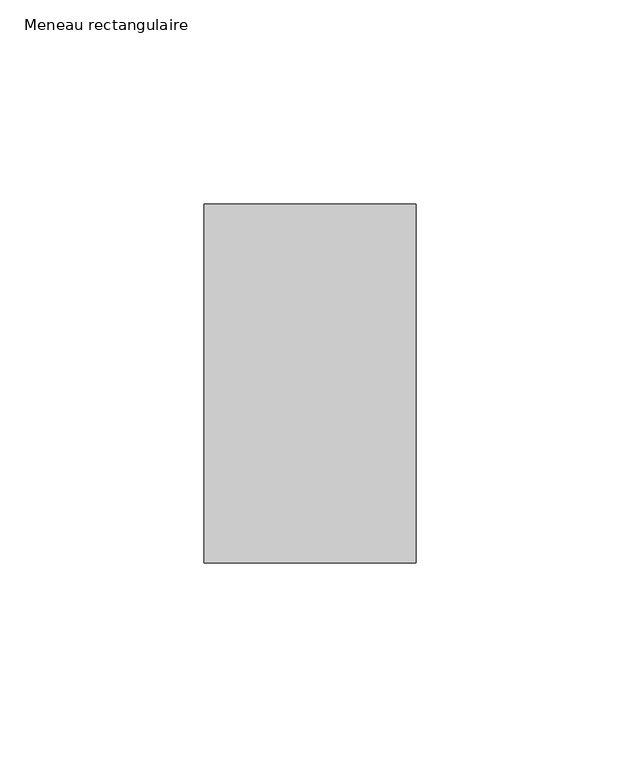
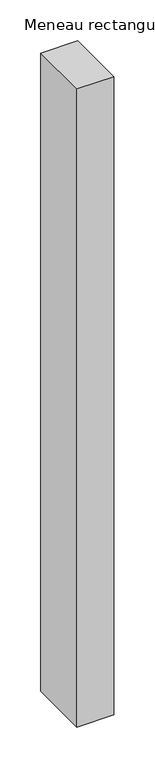
"""IFC4 building model written with IfcOpenShell, lengths in millimetres: member geometry, Meneau rectangulaire."""

from ifc_helpers import new_model, si_unit, frame, origin, place, context, project, spatial, polyline, outline, extrude, source, transform, mapped, element, save


def meneau_rectangulaire_73e61f97(model_context):
    return source(origin(), model_context, "Body", "SweptSolid", [
        extrude(outline(polyline([(-52.0, 44.0), (0.0, 44.0), (0.0, -44.0), (-52.0, -44.0), (-52.0, 44.0)])), frame((0.0, 0.0, -952.3373825), z_axis=(0.0, 0.0, 1.0), x_axis=(1.0, 0.0, 0.0)), (0.0, 0.0, 1.0), 952.3373825),
    ])


if __name__ == "__main__":
    model = new_model("IFC4")
    model_context = context("Model", 3, world=origin())
    ifc_project = project(units=[si_unit("LENGTHUNIT", "METRE", prefix="MILLI")], contexts=[model_context])
    site = spatial("IfcSite", under=ifc_project)
    building = spatial("IfcBuilding", under=site)
    placement = place(None, origin())
    meneau_rectangulaire_shape = meneau_rectangulaire_73e61f97(model_context)
    element("IfcMember", 1, ObjectType="Meneau rectangulaire", at=placement, inside=building, context=model_context, shape_type="MappedRepresentation", body=[
        mapped(meneau_rectangulaire_shape, transform((0.0, 0.0, 0.0), x_axis=(1.0, 0.0, 0.0), y_axis=(0.0, 1.0, 0.0), z_axis=(0.0, 0.0, 1.0))),
    ])
    save(model, "model.ifc")
